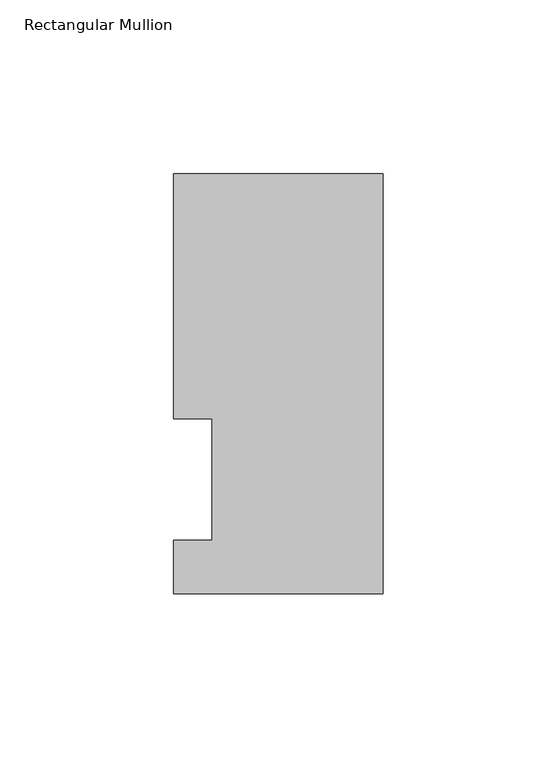
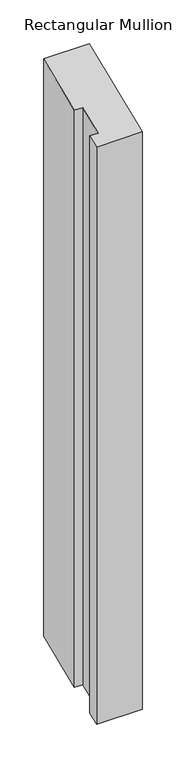
"""IFC4 building model written with IfcOpenShell, lengths in millimetres: member geometry, Rectangular Mullion."""

from ifc_helpers import new_model, si_unit, origin, place, context, project, spatial, faceted_brep, source, transform, mapped, element, save


def rectangular_mullion_2c3ff87b(model_context):
    return source(origin(), model_context, "Body", "Brep", [
        faceted_brep([(0.0, 117.4859878, 48.6642895), (0.0, -3.3164122, -1.3737029), (0.0, -3.3164122, -807.4385634), (0.0, 117.4859878, -757.400571), (-60.3251015, 117.4859878, 48.6642895), (-60.3251015, 117.4859878, -757.400571), (-60.3251015, 47.0517878, 19.4894886), (-60.3251015, 47.0517878, -786.5753719), (-49.2253015, 47.0517878, 19.4894886), (-49.2253015, 47.0517878, -786.5753719), (-49.2253015, 12.1267878, 5.02308), (-49.2253015, 12.1267878, -801.0417805), (-60.3251015, 12.1267878, 5.02308), (-60.3251015, 12.1267878, -801.0417805), (-60.3251015, -3.3164122, -1.3737029), (-60.3251015, -3.3164122, -807.4385634)], [[[0, 1, 2, 3]], [[4, 0, 3, 5]], [[6, 4, 5, 7]], [[8, 6, 7, 9]], [[10, 8, 9, 11]], [[12, 10, 11, 13]], [[14, 12, 13, 15]], [[1, 14, 15, 2]], [[1, 0, 4, 6, 8, 10, 12, 14]], [[2, 15, 13, 11, 9, 7, 5, 3]]]),
    ])


if __name__ == "__main__":
    model = new_model("IFC4")
    model_context = context("Model", 3, world=origin())
    ifc_project = project(units=[si_unit("LENGTHUNIT", "METRE", prefix="MILLI")], contexts=[model_context])
    site = spatial("IfcSite", under=ifc_project)
    building = spatial("IfcBuilding", under=site)
    placement = place(None, origin())
    rectangular_mullion_shape = rectangular_mullion_2c3ff87b(model_context)
    element("IfcMember", 1, ObjectType="Rectangular Mullion", at=placement, inside=building, context=model_context, shape_type="MappedRepresentation", body=[
        mapped(rectangular_mullion_shape, transform((0.0, 0.0, 0.0), x_axis=(1.0, 0.0, 0.0), y_axis=(0.0, 1.0, 0.0), z_axis=(0.0, 0.0, 1.0))),
    ])
    save(model, "model.ifc")
